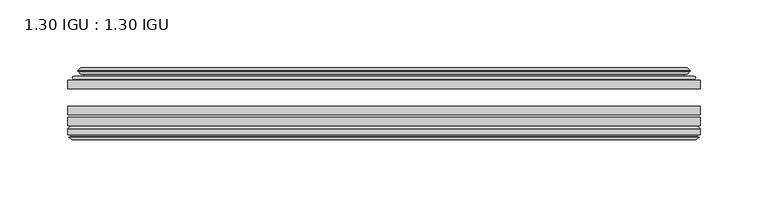
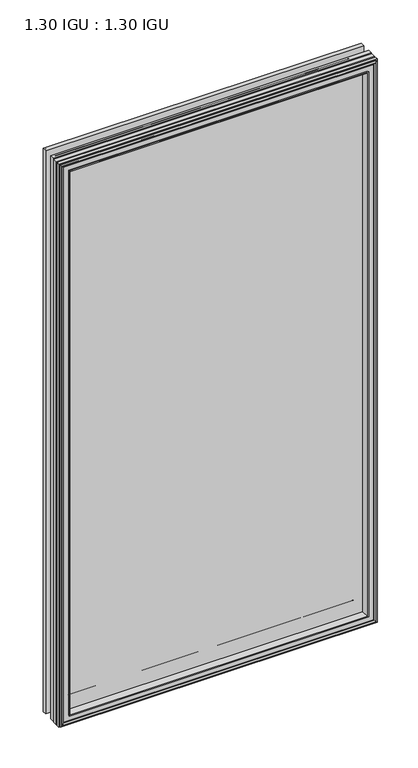
"""IFC4 building model written with IfcOpenShell, lengths in millimetres: plate geometry, 1.30 IGU : 1.30 IGU."""

from ifc_helpers import new_model, si_unit, frame, origin, place, context, project, spatial, polyline, ellipse_curve, outline, extrude, faceted_brep, source, transform, mapped, element, save
from ifc_brep_helpers import plane_surface, cylinder_surface, revolved_surface, advanced_brep


def plate_1_30_igu_1_30_igu_a0995754(model_context):
    return source(origin(), model_context, "Body", "SolidModel", [
        extrude(outline(polyline([(233.2955532, -44.92625), (233.2955532, -51.27625), (-233.3625, -51.27625), (-233.3625, -44.92625), (233.2955532, -44.92625)])), frame((0.0, 0.0, -14.2875), z_axis=(0.0, 0.0, 1.0), x_axis=(1.0, 0.0, 0.0)), (0.0, 0.0, 1.0), 873.125),
        extrude(outline(polyline([(-233.3625, -78.58125), (-233.3625, -72.23125), (233.2955532, -72.23125), (233.2955532, -78.58125), (-233.3625, -78.58125)])), frame((0.0, 0.0, -14.2875), z_axis=(0.0, 0.0, 1.0), x_axis=(1.0, 0.0, 0.0)), (0.0, 0.0, 1.0), 873.125),
        extrude(outline(polyline([(-233.3625, -70.32625), (-233.3625, -63.97625), (233.2955532, -63.97625), (233.2955532, -70.32625), (-233.3625, -70.32625)])), frame((0.0, 0.0, -14.2875), z_axis=(0.0, 0.0, 1.0), x_axis=(1.0, 0.0, 0.0)), (0.0, 0.0, 1.0), 873.125),
        advanced_brep(
        [(-215.0272902, -43.8351483, 840.5022902), (-215.4691004, -44.92625, 840.9441004), (-215.4691004, -44.92625, 3.6058996), (-215.0272902, -43.8351483, 4.0477098), (-219.075, -36.11245, 844.55), (-219.075, -36.11245, 0.0), (-224.2609109, -37.2935491, 849.7359109), (-224.2609109, -37.2935491, -5.1859109), (-223.9313356, -36.4664324, 849.4063356), (-223.9313356, -36.4664324, -4.8563356), (-223.9313356, -35.6521812, 849.4063356), (-223.9313356, -35.6521812, -4.8563356), (-225.7476111, -37.610817, 851.2226111), (-225.7476111, -37.610817, -6.6726111), (-225.7476111, -38.3239429, 851.2226111), (-225.7476111, -38.3239429, -6.6726111), (-223.9313356, -40.2727974, 849.4063356), (-223.9313356, -40.2727974, -4.8563356), (-223.9313356, -39.4683275, 849.4063356), (-223.9313356, -39.4683275, -4.8563356), (-224.2532501, -38.6604367, 849.7282501), (-224.2532501, -38.6604367, -5.1782501), (-221.7294379, -38.502045, 847.2044379), (-221.7294379, -38.502045, -2.6544379), (-220.7036217, -39.1897544, 846.1786217), (-220.7036217, -39.1897544, -1.6286217), (-220.8220288, -40.5842231, 846.2970288), (-220.8220288, -40.5842231, -1.7470288), (-221.4237748, -42.08145, 846.8987748), (-221.4237748, -42.08145, -2.3487748), (-229.3495553, -43.9898729, 854.8245553), (-228.8639245, -42.08145, 854.3389245), (-228.8639245, -42.08145, -9.7889245), (-229.3495553, -43.9898729, -10.2745553), (-227.6288155, -44.92625, 853.1038155), (-227.6288155, -44.92625, -8.5538155), (215.4691004, -44.92625, 3.6058996), (215.0272902, -43.8351483, 4.0477098), (219.075, -36.11245, 0.0), (224.2609109, -37.2935491, -5.1859109), (223.9313356, -36.4664324, -4.8563356), (223.9313356, -35.6521812, -4.8563356), (225.7476111, -37.610817, -6.6726111), (225.7476111, -38.3239429, -6.6726111), (223.9313356, -40.2727974, -4.8563356), (223.9313356, -39.4683275, -4.8563356), (224.2532501, -38.6604367, -5.1782501), (221.7294379, -38.502045, -2.6544379), (220.7036217, -39.1897544, -1.6286217), (220.8220288, -40.5842231, -1.7470288), (221.4237748, -42.08145, -2.3487748), (228.8639245, -42.08145, -9.7889245), (229.3495553, -43.9898729, -10.2745553), (227.6288155, -44.92625, -8.5538155), (215.4691004, -44.92625, 840.9441004), (215.0272902, -43.8351483, 840.5022902), (219.075, -36.11245, 844.55), (224.2609109, -37.2935491, 849.7359109), (223.9313356, -36.4664324, 849.4063356), (223.9313356, -35.6521812, 849.4063356), (225.7476111, -37.610817, 851.2226111), (225.7476111, -38.3239429, 851.2226111), (223.9313356, -40.2727974, 849.4063356), (223.9313356, -39.4683275, 849.4063356), (224.2532501, -38.6604367, 849.7282501), (221.7294379, -38.502045, 847.2044379), (220.7036217, -39.1897544, 846.1786217), (220.8220288, -40.5842231, 846.2970288), (221.4237748, -42.08145, 846.8987748), (228.8639245, -42.08145, 854.3389245), (229.3495553, -43.9898729, 854.8245553), (227.6288155, -44.92625, 853.1038155)],
        [
            (0, 1, ellipse_curve(frame((-215.4691004, -44.29125, 840.9441004), z_axis=(-0.7071067811865475, 0.0, -0.7071067811865475), x_axis=(-0.7071067811865474, 0.0, 0.7071067811865476)), 0.8980256, 0.635)),
            (1, 2),
            (2, 3, ellipse_curve(frame((-215.4691004, -44.29125, 3.6058996), z_axis=(-0.7071067811865475, 0.0, 0.7071067811865475), x_axis=(0.7071067811865474, 0.0, 0.7071067811865476)), 0.8980256, 0.635)),
            (3, 0),
            (4, 0, ellipse_curve(frame((-205.3422054, -33.8367745, 830.8172054), z_axis=(0.7071067811865475, 0.0, 0.7071067811865475), x_axis=(0.7071067811865474, 0.0, -0.7071067811865476)), 19.6859517, 13.9200699)),
            (3, 5, ellipse_curve(frame((-205.3422054, -33.8367745, 13.7327946), z_axis=(0.7071067811865475, 0.0, -0.7071067811865475), x_axis=(-0.7071067811865474, 0.0, -0.7071067811865476)), 19.6859517, 13.9200699)),
            (5, 4),
            (6, 4),
            (5, 7),
            (7, 6),
            (8, 6),
            (7, 9),
            (9, 8),
            (10, 8),
            (9, 11),
            (11, 10),
            (12, 10),
            (11, 13),
            (13, 12),
            (14, 12, ellipse_curve(frame((-225.3857729, -37.96738, 850.8607729), z_axis=(-0.7071067811865475, 0.0, -0.7071067811865475), x_axis=(-0.7071067811865474, 0.0, 0.7071067811865476)), 0.7184205, 0.508)),
            (13, 15, ellipse_curve(frame((-225.3857729, -37.96738, -6.3107729), z_axis=(-0.7071067811865475, 0.0, 0.7071067811865475), x_axis=(0.7071067811865474, 0.0, 0.7071067811865476)), 0.7184205, 0.508)),
            (15, 14),
            (16, 14),
            (15, 17),
            (17, 16),
            (18, 16),
            (17, 19),
            (19, 18),
            (20, 18),
            (19, 21),
            (21, 20),
            (22, 20),
            (21, 23),
            (23, 22),
            (24, 22, ellipse_curve(frame((-221.6658, -39.51605, 847.1408), z_axis=(0.7071067811865475, 0.0, 0.7071067811865475), x_axis=(0.7071067811865474, 0.0, -0.7071067811865476)), 1.436841, 1.016)),
            (23, 25, ellipse_curve(frame((-221.6658, -39.51605, -2.5908), z_axis=(0.7071067811865475, 0.0, -0.7071067811865475), x_axis=(-0.7071067811865474, 0.0, -0.7071067811865476)), 1.436841, 1.016)),
            (25, 24),
            (26, 24, ellipse_curve(frame((-223.0374, -39.69385, 848.5124), z_axis=(0.7071067811865475, 0.0, 0.7071067811865475), x_axis=(0.7071067811865474, 0.0, -0.7071067811865476)), 3.3765763, 2.3876)),
            (25, 27, ellipse_curve(frame((-223.0374, -39.69385, -3.9624), z_axis=(0.7071067811865475, 0.0, -0.7071067811865475), x_axis=(-0.7071067811865474, 0.0, -0.7071067811865476)), 3.3765763, 2.3876)),
            (27, 26),
            (28, 26),
            (27, 29),
            (29, 28),
            (30, 31, ellipse_curve(frame((-228.8639245, -43.09745, 854.3389245), z_axis=(-0.7071067811865475, 0.0, -0.7071067811865475), x_axis=(-0.7071067811865474, 0.0, 0.7071067811865476)), 1.436841, 1.016)),
            (31, 32),
            (32, 33, ellipse_curve(frame((-228.8639245, -43.09745, -9.7889245), z_axis=(-0.7071067811865475, 0.0, 0.7071067811865475), x_axis=(0.7071067811865474, 0.0, 0.7071067811865476)), 1.436841, 1.016)),
            (33, 30),
            (34, 30),
            (33, 35),
            (35, 34),
            (2, 36),
            (36, 37, ellipse_curve(frame((215.4691004, -44.29125, 3.6058996), z_axis=(-0.7071067811865475, 0.0, -0.7071067811865475), x_axis=(-0.7071067811865476, 0.0, 0.7071067811865474)), 0.8980256, 0.635)),
            (37, 3),
            (37, 38, ellipse_curve(frame((205.3422054, -33.8367745, 13.7327946), z_axis=(0.7071067811865475, 0.0, 0.7071067811865475), x_axis=(0.7071067811865476, 0.0, -0.7071067811865474)), 19.6859517, 13.9200699)),
            (38, 5),
            (38, 39),
            (39, 7),
            (39, 40),
            (40, 9),
            (40, 41),
            (41, 11),
            (41, 42),
            (42, 13),
            (42, 43, ellipse_curve(frame((225.3857729, -37.96738, -6.3107729), z_axis=(-0.7071067811865475, 0.0, -0.7071067811865475), x_axis=(-0.7071067811865476, 0.0, 0.7071067811865474)), 0.7184205, 0.508)),
            (43, 15),
            (43, 44),
            (44, 17),
            (44, 45),
            (45, 19),
            (45, 46),
            (46, 21),
            (46, 47),
            (47, 23),
            (47, 48, ellipse_curve(frame((221.6658, -39.51605, -2.5908), z_axis=(0.7071067811865475, 0.0, 0.7071067811865475), x_axis=(0.7071067811865476, 0.0, -0.7071067811865474)), 1.436841, 1.016)),
            (48, 25),
            (48, 49, ellipse_curve(frame((223.0374, -39.69385, -3.9624), z_axis=(0.7071067811865475, 0.0, 0.7071067811865475), x_axis=(0.7071067811865476, 0.0, -0.7071067811865474)), 3.3765763, 2.3876)),
            (49, 27),
            (49, 50),
            (50, 29),
            (32, 51),
            (51, 52, ellipse_curve(frame((228.8639245, -43.09745, -9.7889245), z_axis=(-0.7071067811865475, 0.0, -0.7071067811865475), x_axis=(-0.7071067811865476, 0.0, 0.7071067811865474)), 1.436841, 1.016)),
            (52, 33),
            (52, 53),
            (53, 35),
            (36, 54),
            (54, 55, ellipse_curve(frame((215.4691004, -44.29125, 840.9441004), z_axis=(0.7071067811865475, 0.0, -0.7071067811865475), x_axis=(-0.7071067811865474, 0.0, -0.7071067811865476)), 0.8980256, 0.635)),
            (55, 37),
            (55, 56, ellipse_curve(frame((205.3422054, -33.8367745, 830.8172054), z_axis=(-0.7071067811865475, 0.0, 0.7071067811865475), x_axis=(0.7071067811865474, 0.0, 0.7071067811865476)), 19.6859517, 13.9200699)),
            (56, 38),
            (56, 57),
            (57, 39),
            (57, 58),
            (58, 40),
            (58, 59),
            (59, 41),
            (59, 60),
            (60, 42),
            (60, 61, ellipse_curve(frame((225.3857729, -37.96738, 850.8607729), z_axis=(0.7071067811865475, 0.0, -0.7071067811865475), x_axis=(-0.7071067811865474, 0.0, -0.7071067811865476)), 0.7184205, 0.508)),
            (61, 43),
            (61, 62),
            (62, 44),
            (62, 63),
            (63, 45),
            (63, 64),
            (64, 46),
            (64, 65),
            (65, 47),
            (65, 66, ellipse_curve(frame((221.6658, -39.51605, 847.1408), z_axis=(-0.7071067811865475, 0.0, 0.7071067811865475), x_axis=(0.7071067811865474, 0.0, 0.7071067811865476)), 1.436841, 1.016)),
            (66, 48),
            (66, 67, ellipse_curve(frame((223.0374, -39.69385, 848.5124), z_axis=(-0.7071067811865475, 0.0, 0.7071067811865475), x_axis=(0.7071067811865474, 0.0, 0.7071067811865476)), 3.3765763, 2.3876)),
            (67, 49),
            (67, 68),
            (68, 50),
            (51, 69),
            (69, 70, ellipse_curve(frame((228.8639245, -43.09745, 854.3389245), z_axis=(0.7071067811865475, 0.0, -0.7071067811865475), x_axis=(-0.7071067811865474, 0.0, -0.7071067811865476)), 1.436841, 1.016)),
            (70, 52),
            (70, 71),
            (71, 53),
            (54, 1),
            (0, 55),
            (4, 56),
            (6, 57),
            (8, 58),
            (10, 59),
            (12, 60),
            (14, 61),
            (16, 62),
            (18, 63),
            (20, 64),
            (22, 65),
            (24, 66),
            (26, 67),
            (28, 68),
            (31, 69),
            (30, 70),
            (34, 71),
        ],
        [
            cylinder_surface(frame((-215.4691004, -44.29125, 876.3), z_axis=(0.0, 0.0, 1.0), x_axis=(-1.0, 0.0, 0.0)), 0.635),
            revolved_surface(polyline([(-219.2622753, -33.8367745, -0.18727534118079348), (-219.2622753, -33.8367745, 844.7372753411809)]), (-205.3422054, -33.8367745, 876.3), (0.0, 0.0, -1.0)),
            plane_surface(frame((-219.075, -36.11245, 844.55), z_axis=(-0.22206498442778658, 0.975031867525922, 0.0), x_axis=(0.0, 0.0, -1.0))),
            plane_surface(frame((-224.2609109, -37.2935491, 849.7359109), z_axis=(0.9289682685629922, -0.3701593656833182, 0.0), x_axis=(0.0, 0.0, -1.0))),
            plane_surface(frame((-223.9313356, -36.4664324, 849.4063356), z_axis=(1.0, 0.0, 0.0), x_axis=(0.0, 0.0, -1.0))),
            plane_surface(frame((-223.9313356, -35.6521812, 849.4063356), z_axis=(-0.7332521292723956, 0.6799568478348447, 0.0), x_axis=(0.0, 0.0, -1.0))),
            cylinder_surface(frame((-225.3857729, -37.96738, 876.3), z_axis=(0.0, 0.0, 1.0), x_axis=(-1.0, 0.0, 0.0)), 0.508),
            plane_surface(frame((-225.7476111, -38.3239429, 851.2226111), z_axis=(-0.7315522693036389, -0.6817853601220082, 0.0), x_axis=(0.0, 0.0, -1.0))),
            plane_surface(frame((-223.9313356, -40.2727974, 849.4063356), z_axis=(1.0, 0.0, 0.0), x_axis=(0.0, 0.0, -1.0))),
            plane_surface(frame((-223.9313356, -39.4683275, 849.4063356), z_axis=(0.9289682685631103, 0.37015936568302166, 0.0), x_axis=(0.0, 0.0, -1.0))),
            plane_surface(frame((-224.2532501, -38.6604367, 849.7282501), z_axis=(0.06263570119321644, -0.9980364567169048, 0.0), x_axis=(0.0, 0.0, -1.0))),
            revolved_surface(polyline([(-222.68179999999998, -39.51605, -3.606800014586838), (-222.68179999999998, -39.51605, 848.1568000145869)]), (-221.6658, -39.51605, 876.3), (0.0, 0.0, -1.0)),
            revolved_surface(polyline([(-225.42499999999998, -39.69385, -6.3499999989237494), (-225.42499999999998, -39.69385, 850.8999999989237)]), (-223.0374, -39.69385, 876.3), (0.0, 0.0, -1.0)),
            plane_surface(frame((-220.8220288, -40.5842231, 846.2970288), z_axis=(-0.9278652925428912, 0.372915538553028, 0.0), x_axis=(0.0, 0.0, -1.0))),
            cylinder_surface(frame((-228.8639245, -43.09745, 876.3), z_axis=(0.0, 0.0, 1.0), x_axis=(-1.0, 0.0, 0.0)), 1.016),
            plane_surface(frame((-229.3495553, -43.9898729, 854.8245553), z_axis=(-0.477983117370979, -0.8783690223979447, 0.0), x_axis=(0.0, 0.0, -1.0))),
            cylinder_surface(frame((-250.825, -44.29125, 3.6058996), z_axis=(-1.0, 0.0, 0.0), x_axis=(0.0, 0.0, -1.0)), 0.635),
            revolved_surface(polyline([(219.26227534118084, -33.8367745, -0.1872752999999996), (-219.26227534118084, -33.8367745, -0.1872752999999996)]), (-250.825, -33.8367745, 13.7327946), (1.0, 0.0, 0.0)),
            plane_surface(frame((-219.075, -36.11245, 0.0), z_axis=(0.0, 0.9750318675259213, -0.22206498442778974), x_axis=(1.0, 0.0, 0.0))),
            plane_surface(frame((-224.2609109, -37.2935491, -5.1859109), z_axis=(0.0, -0.3701593656833152, 0.9289682685629934), x_axis=(1.0, 0.0, 0.0))),
            plane_surface(frame((-223.9313356, -36.4664324, -4.8563356), z_axis=(0.0, 0.0, 1.0), x_axis=(1.0, 0.0, 0.0))),
            plane_surface(frame((-223.9313356, -35.6521812, -4.8563356), z_axis=(0.0, 0.6799568478348423, -0.7332521292723978), x_axis=(1.0, 0.0, 0.0))),
            cylinder_surface(frame((-250.825, -37.96738, -6.3107729), z_axis=(-1.0, 0.0, 0.0), x_axis=(0.0, 0.0, -1.0)), 0.508),
            plane_surface(frame((-225.7476111, -38.3239429, -6.6726111), z_axis=(0.0, -0.6817853601220105, -0.7315522693036367), x_axis=(1.0, 0.0, 0.0))),
            plane_surface(frame((-223.9313356, -40.2727974, -4.8563356), z_axis=(0.0, 0.0, 1.0), x_axis=(1.0, 0.0, 0.0))),
            plane_surface(frame((-223.9313356, -39.4683275, -4.8563356), z_axis=(0.0, 0.37015936568302465, 0.9289682685631091), x_axis=(1.0, 0.0, 0.0))),
            plane_surface(frame((-224.2532501, -38.6604367, -5.1782501), z_axis=(0.0, -0.9980364567169046, 0.06263570119321968), x_axis=(1.0, 0.0, 0.0))),
            revolved_surface(polyline([(222.68180001458683, -39.51605, -3.6068000000000002), (-222.68180001458686, -39.51605, -3.6068000000000002)]), (-250.825, -39.51605, -2.5908), (1.0, 0.0, 0.0)),
            revolved_surface(polyline([(225.4249999989238, -39.69385, -6.35), (-225.42499999892377, -39.69385, -6.35)]), (-250.825, -39.69385, -3.9624), (1.0, 0.0, 0.0)),
            plane_surface(frame((-220.8220288, -40.5842231, -1.7470288), z_axis=(0.0, 0.372915538553025, -0.9278652925428924), x_axis=(1.0, 0.0, 0.0))),
            cylinder_surface(frame((-250.825, -43.09745, -9.7889245), z_axis=(-1.0, 0.0, 0.0), x_axis=(0.0, 0.0, -1.0)), 1.016),
            plane_surface(frame((-229.3495553, -43.9898729, -10.2745553), z_axis=(0.0, -0.8783690223979462, -0.47798311737097615), x_axis=(1.0, 0.0, 0.0))),
            cylinder_surface(frame((215.4691004, -44.29125, -31.75), z_axis=(0.0, 0.0, -1.0), x_axis=(1.0, 0.0, 0.0)), 0.635),
            revolved_surface(polyline([(219.2622753, -33.8367745, 844.7372753411809), (219.2622753, -33.8367745, -0.1872753411808432)]), (205.3422054, -33.8367745, -31.75), (0.0, 0.0, 1.0)),
            plane_surface(frame((219.075, -36.11245, 0.0), z_axis=(0.22206498442779288, 0.9750318675259205, 0.0), x_axis=(0.0, 0.0, 1.0))),
            plane_surface(frame((224.2609109, -37.2935491, -5.1859109), z_axis=(-0.9289682685629946, -0.3701593656833122, 0.0), x_axis=(0.0, 0.0, 1.0))),
            plane_surface(frame((223.9313356, -36.4664324, -4.8563356), z_axis=(-1.0, 0.0, 0.0), x_axis=(0.0, 0.0, 1.0))),
            plane_surface(frame((223.9313356, -35.6521812, -4.8563356), z_axis=(0.7332521292724, 0.67995684783484, 0.0), x_axis=(0.0, 0.0, 1.0))),
            cylinder_surface(frame((225.3857729, -37.96738, -31.75), z_axis=(0.0, 0.0, -1.0), x_axis=(1.0, 0.0, 0.0)), 0.508),
            plane_surface(frame((225.7476111, -38.3239429, -6.6726111), z_axis=(0.7315522693036345, -0.6817853601220129, 0.0), x_axis=(0.0, 0.0, 1.0))),
            plane_surface(frame((223.9313356, -40.2727974, -4.8563356), z_axis=(-1.0, 0.0, 0.0), x_axis=(0.0, 0.0, 1.0))),
            plane_surface(frame((223.9313356, -39.4683275, -4.8563356), z_axis=(-0.928968268563108, 0.3701593656830277, 0.0), x_axis=(0.0, 0.0, 1.0))),
            plane_surface(frame((224.2532501, -38.6604367, -5.1782501), z_axis=(-0.06263570119322291, -0.9980364567169043, 0.0), x_axis=(0.0, 0.0, 1.0))),
            revolved_surface(polyline([(222.68179999999998, -39.51605, 848.1568000145869), (222.68179999999998, -39.51605, -3.606800014586863)]), (221.6658, -39.51605, -31.75), (0.0, 0.0, 1.0)),
            revolved_surface(polyline([(225.42499999999998, -39.69385, 850.8999999989237), (225.42499999999998, -39.69385, -6.349999998923781)]), (223.0374, -39.69385, -31.75), (0.0, 0.0, 1.0)),
            plane_surface(frame((220.8220288, -40.5842231, -1.7470288), z_axis=(0.9278652925428936, 0.372915538553022, 0.0), x_axis=(0.0, 0.0, 1.0))),
            cylinder_surface(frame((228.8639245, -43.09745, -31.75), z_axis=(0.0, 0.0, -1.0), x_axis=(1.0, 0.0, 0.0)), 1.016),
            plane_surface(frame((229.3495553, -43.9898729, -10.2745553), z_axis=(0.4779831173709733, -0.8783690223979478, 0.0), x_axis=(0.0, 0.0, 1.0))),
            cylinder_surface(frame((250.825, -44.29125, 840.9441004), z_axis=(1.0, 0.0, 0.0), x_axis=(0.0, 0.0, 1.0)), 0.635),
            revolved_surface(polyline([(-219.26227534118084, -33.8367745, 844.7372753000001), (219.26227534118084, -33.8367745, 844.7372753000001)]), (250.825, -33.8367745, 830.8172054), (-1.0, 0.0, 0.0)),
            plane_surface(frame((219.075, -36.11245, 844.55), z_axis=(0.0, 0.9750318675259212, 0.2220649844277897), x_axis=(-1.0, 0.0, 0.0))),
            plane_surface(frame((224.2609109, -37.2935491, 849.7359109), z_axis=(0.0, -0.3701593656833152, -0.9289682685629934), x_axis=(-1.0, 0.0, 0.0))),
            plane_surface(frame((223.9313356, -36.4664324, 849.4063356), z_axis=(0.0, 0.0, -1.0), x_axis=(-1.0, 0.0, 0.0))),
            plane_surface(frame((223.9313356, -35.6521812, 849.4063356), z_axis=(0.0, 0.6799568478348423, 0.7332521292723978), x_axis=(-1.0, 0.0, 0.0))),
            cylinder_surface(frame((250.825, -37.96738, 850.8607729), z_axis=(1.0, 0.0, 0.0), x_axis=(0.0, 0.0, 1.0)), 0.508),
            plane_surface(frame((225.7476111, -38.3239429, 851.2226111), z_axis=(0.0, -0.6817853601220105, 0.7315522693036367), x_axis=(-1.0, 0.0, 0.0))),
            plane_surface(frame((223.9313356, -40.2727974, 849.4063356), z_axis=(0.0, 0.0, -1.0), x_axis=(-1.0, 0.0, 0.0))),
            plane_surface(frame((223.9313356, -39.4683275, 849.4063356), z_axis=(0.0, 0.3701593656830247, -0.9289682685631092), x_axis=(-1.0, 0.0, 0.0))),
            plane_surface(frame((224.2532501, -38.6604367, 849.7282501), z_axis=(0.0, -0.9980364567169046, -0.06263570119321968), x_axis=(-1.0, 0.0, 0.0))),
            revolved_surface(polyline([(-222.68180001458683, -39.51605, 848.1568), (222.68180001458686, -39.51605, 848.1568)]), (250.825, -39.51605, 847.1408), (-1.0, 0.0, 0.0)),
            revolved_surface(polyline([(-225.4249999989238, -39.69385, 850.9), (225.42499999892377, -39.69385, 850.9)]), (250.825, -39.69385, 848.5124), (-1.0, 0.0, 0.0)),
            plane_surface(frame((220.8220288, -40.5842231, 846.2970288), z_axis=(0.0, 0.372915538553025, 0.9278652925428924), x_axis=(-1.0, 0.0, 0.0))),
            plane_surface(frame((221.4237748, -42.08145, 846.8987748), z_axis=(0.0, 1.0, 0.0), x_axis=(-1.0, 0.0, 0.0))),
            cylinder_surface(frame((250.825, -43.09745, 854.3389245), z_axis=(1.0, 0.0, 0.0), x_axis=(0.0, 0.0, 1.0)), 1.016),
            plane_surface(frame((229.3495553, -43.9898729, 854.8245553), z_axis=(0.0, -0.8783690223979462, 0.47798311737097615), x_axis=(-1.0, 0.0, 0.0))),
            plane_surface(frame((227.6288155, -44.92625, 853.1038155), z_axis=(0.0, -1.0, 0.0), x_axis=(-1.0, 0.0, 0.0))),
        ],
        [
            (0, [[1, 2, 3, 4]]),
            (1, [[5, -4, 6, 7]]),
            (2, [[8, -7, 9, 10]]),
            (3, [[11, -10, 12, 13]]),
            (4, [[14, -13, 15, 16]]),
            (5, [[17, -16, 18, 19]]),
            (6, [[20, -19, 21, 22]]),
            (7, [[23, -22, 24, 25]]),
            (8, [[26, -25, 27, 28]]),
            (9, [[29, -28, 30, 31]]),
            (10, [[32, -31, 33, 34]]),
            (11, [[35, -34, 36, 37]]),
            (12, [[38, -37, 39, 40]]),
            (13, [[41, -40, 42, 43]]),
            (14, [[44, 45, 46, 47]]),
            (15, [[48, -47, 49, 50]]),
            (16, [[-3, 51, 52, 53]]),
            (17, [[-6, -53, 54, 55]]),
            (18, [[-9, -55, 56, 57]]),
            (19, [[-12, -57, 58, 59]]),
            (20, [[-15, -59, 60, 61]]),
            (21, [[-18, -61, 62, 63]]),
            (22, [[-21, -63, 64, 65]]),
            (23, [[-24, -65, 66, 67]]),
            (24, [[-27, -67, 68, 69]]),
            (25, [[-30, -69, 70, 71]]),
            (26, [[-33, -71, 72, 73]]),
            (27, [[-36, -73, 74, 75]]),
            (28, [[-39, -75, 76, 77]]),
            (29, [[-42, -77, 78, 79]]),
            (30, [[-46, 80, 81, 82]]),
            (31, [[-49, -82, 83, 84]]),
            (32, [[-52, 85, 86, 87]]),
            (33, [[-54, -87, 88, 89]]),
            (34, [[-56, -89, 90, 91]]),
            (35, [[-58, -91, 92, 93]]),
            (36, [[-60, -93, 94, 95]]),
            (37, [[-62, -95, 96, 97]]),
            (38, [[-64, -97, 98, 99]]),
            (39, [[-66, -99, 100, 101]]),
            (40, [[-68, -101, 102, 103]]),
            (41, [[-70, -103, 104, 105]]),
            (42, [[-72, -105, 106, 107]]),
            (43, [[-74, -107, 108, 109]]),
            (44, [[-76, -109, 110, 111]]),
            (45, [[-78, -111, 112, 113]]),
            (46, [[-81, 114, 115, 116]]),
            (47, [[-83, -116, 117, 118]]),
            (48, [[-86, 119, -1, 120]]),
            (49, [[-88, -120, -5, 121]]),
            (50, [[-90, -121, -8, 122]]),
            (51, [[-92, -122, -11, 123]]),
            (52, [[-94, -123, -14, 124]]),
            (53, [[-96, -124, -17, 125]]),
            (54, [[-98, -125, -20, 126]]),
            (55, [[-100, -126, -23, 127]]),
            (56, [[-102, -127, -26, 128]]),
            (57, [[-104, -128, -29, 129]]),
            (58, [[-106, -129, -32, 130]]),
            (59, [[-108, -130, -35, 131]]),
            (60, [[-110, -131, -38, 132]]),
            (61, [[-112, -132, -41, 133]]),
            (62, [[134, -114, -80, -45], [-79, -113, -133, -43]]),
            (63, [[-115, -134, -44, 135]]),
            (64, [[-117, -135, -48, 136]]),
            (65, [[-84, -118, -136, -50], [-119, -85, -51, -2]]),
        ],
    ),
        faceted_brep([(-215.2207827, -78.58125, 840.6957827), (-217.7870798, -87.47125, 843.2620798), (-217.7870798, -87.47125, 1.2879202), (-215.2207827, -78.58125, 3.8542173), (-233.3752, -80.7883102, 858.8502), (-231.1681398, -78.58125, 856.6431398), (-231.1681398, -78.58125, -12.0931398), (-233.3752, -80.7883102, -14.3002), (-233.3752, -84.93125, 858.8502), (-233.3752, -84.93125, -14.3002), (-230.9561775, -86.11489, 856.4311775), (-231.7953682, -84.93125, 857.2703682), (-231.7953682, -84.93125, -12.7203682), (-230.9561775, -86.11489, -11.8811775), (-230.759, -87.4125884, 856.234), (-230.759, -87.4125884, -11.684), (-231.73466, -86.8828917, 857.20966), (-231.73466, -86.8828917, -12.65966), (-230.2002, -88.6999663, 855.6752), (-232.5273305, -86.8828917, 858.0023305), (-232.5273305, -86.8828917, -13.4523305), (-230.2002, -88.6999663, -11.1252), (-227.8730695, -86.8828917, 853.3480695), (-227.8730695, -86.8828917, -8.7980695), (-229.6414, -87.4125884, 855.1164), (-228.66574, -86.8828917, 854.14074), (-228.66574, -86.8828917, -9.59074), (-229.6414, -87.4125884, -10.5664), (-229.4442225, -86.11489, 854.9192225), (-229.4442225, -86.11489, -10.3692225), (-228.5746, -84.93125, 854.0496), (-228.5746, -84.93125, -9.4996), (-219.4263667, -87.47125, 844.9013667), (-218.8972, -84.93125, 844.3722), (-218.8972, -84.93125, 0.1778), (-219.4263667, -87.47125, -0.3513667), (217.7870798, -87.47125, 1.2879202), (215.2207827, -78.58125, 3.8542173), (231.1681398, -78.58125, -12.0931398), (233.3752, -80.7883102, -14.3002), (233.3752, -84.93125, -14.3002), (231.7953682, -84.93125, -12.7203682), (230.9561775, -86.11489, -11.8811775), (230.759, -87.4125884, -11.684), (231.73466, -86.8828917, -12.65966), (232.5273305, -86.8828917, -13.4523305), (230.2002, -88.6999663, -11.1252), (227.8730695, -86.8828917, -8.7980695), (228.66574, -86.8828917, -9.59074), (229.6414, -87.4125884, -10.5664), (229.4442225, -86.11489, -10.3692225), (228.5746, -84.93125, -9.4996), (218.8972, -84.93125, 0.1778), (219.4263667, -87.47125, -0.3513667), (217.7870798, -87.47125, 843.2620798), (215.2207827, -78.58125, 840.6957827), (231.1681398, -78.58125, 856.6431398), (233.3752, -80.7883102, 858.8502), (233.3752, -84.93125, 858.8502), (231.7953682, -84.93125, 857.2703682), (230.9561775, -86.11489, 856.4311775), (230.759, -87.4125884, 856.234), (231.73466, -86.8828917, 857.20966), (232.5273305, -86.8828917, 858.0023305), (230.2002, -88.6999663, 855.6752), (227.8730695, -86.8828917, 853.3480695), (228.66574, -86.8828917, 854.14074), (229.6414, -87.4125884, 855.1164), (229.4442225, -86.11489, 854.9192225), (228.5746, -84.93125, 854.0496), (218.8972, -84.93125, 844.3722), (219.4263667, -87.47125, 844.9013667)], [[[0, 1, 2, 3]], [[4, 5, 6, 7]], [[8, 4, 7, 9]], [[10, 11, 12, 13]], [[14, 10, 13, 15]], [[16, 14, 15, 17]], [[18, 19, 20, 21]], [[22, 18, 21, 23]], [[24, 25, 26, 27]], [[28, 24, 27, 29]], [[30, 28, 29, 31]], [[32, 33, 34, 35]], [[3, 2, 36, 37]], [[7, 6, 38, 39]], [[9, 7, 39, 40]], [[13, 12, 41, 42]], [[15, 13, 42, 43]], [[17, 15, 43, 44]], [[21, 20, 45, 46]], [[23, 21, 46, 47]], [[27, 26, 48, 49]], [[29, 27, 49, 50]], [[31, 29, 50, 51]], [[35, 34, 52, 53]], [[37, 36, 54, 55]], [[39, 38, 56, 57]], [[40, 39, 57, 58]], [[42, 41, 59, 60]], [[43, 42, 60, 61]], [[44, 43, 61, 62]], [[46, 45, 63, 64]], [[47, 46, 64, 65]], [[49, 48, 66, 67]], [[50, 49, 67, 68]], [[51, 50, 68, 69]], [[53, 52, 70, 71]], [[55, 54, 1, 0]], [[5, 56, 38, 6], [3, 37, 55, 0]], [[57, 56, 5, 4]], [[58, 57, 4, 8]], [[9, 40, 58, 8], [11, 59, 41, 12]], [[60, 59, 11, 10]], [[61, 60, 10, 14]], [[62, 61, 14, 16]], [[19, 63, 45, 20], [17, 44, 62, 16]], [[64, 63, 19, 18]], [[65, 64, 18, 22]], [[25, 66, 48, 26], [23, 47, 65, 22]], [[67, 66, 25, 24]], [[68, 67, 24, 28]], [[69, 68, 28, 30]], [[31, 51, 69, 30], [33, 70, 52, 34]], [[71, 70, 33, 32]], [[35, 53, 71, 32], [1, 54, 36, 2]]]),
    ])


if __name__ == "__main__":
    model = new_model("IFC4")
    model_context = context("Model", 3, world=origin())
    ifc_project = project(units=[si_unit("LENGTHUNIT", "METRE", prefix="MILLI")], contexts=[model_context])
    site = spatial("IfcSite", under=ifc_project)
    building = spatial("IfcBuilding", under=site)
    placement = place(None, origin())
    plate_1_30_igu_1_30_igu_shape = plate_1_30_igu_1_30_igu_a0995754(model_context)
    element("IfcPlate", 1, ObjectType="1.30 IGU : 1.30 IGU", at=placement, inside=building, context=model_context, shape_type="MappedRepresentation", body=[
        mapped(plate_1_30_igu_1_30_igu_shape, transform((0.0, 0.0, 0.0), x_axis=(1.0, 0.0, 0.0), y_axis=(0.0, 1.0, 0.0), z_axis=(0.0, 0.0, 1.0))),
    ])
    save(model, "model.ifc")
